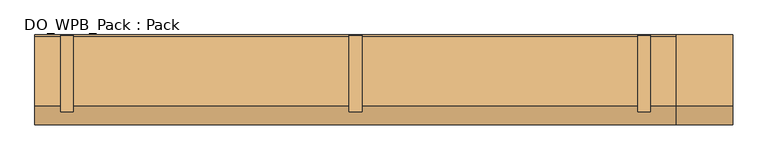
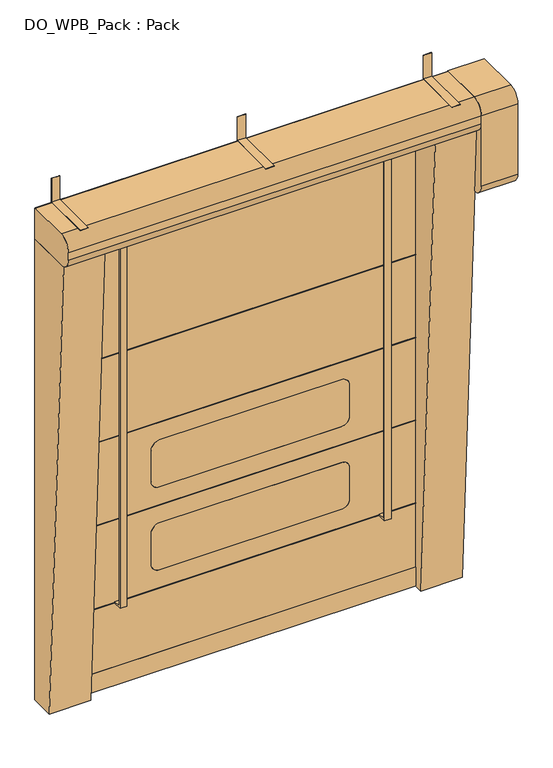
"""IFC4 building model written with IfcOpenShell, lengths in millimetres: door geometry, DO_WPB_Pack : Pack."""

from ifc_helpers import new_model, si_unit, point, frame, frame_2d, origin, origin_with_axes, place, context, project, spatial, polyline, circle_curve, trimmed, segment, composite_curve, outline, extrude, source, transform, mapped, element, save


def do_wpb_pack_pack_5cf3cf8c(model_context):
    return source(origin(), model_context, "Body", "SweptSolid", [
        extrude(outline(composite_curve([segment(trimmed(circle_curve(frame_2d((25.0, 1175.0)), 6.0), [point((31.0, 1175.0))], [point((19.0, 1175.0))], False, "CARTESIAN"), True, "CONTINUOUS"), segment(trimmed(circle_curve(frame_2d((25.0, 1175.0)), 6.0), [point((19.0, 1175.0))], [point((31.0, 1175.0))], False, "CARTESIAN"), True, "CONTINUOUS")], self_intersect=False)), frame((0.0, -10.0, 0.0), z_axis=(0.0, 1.0, 0.0), x_axis=(0.0, 0.0, 1.0)), (0.0, 0.0, 1.0), 10.0),
        extrude(outline(composite_curve([segment(trimmed(circle_curve(frame_2d((25.0, 1075.0)), 6.0), [point((31.0, 1075.0))], [point((19.0, 1075.0))], False, "CARTESIAN"), True, "CONTINUOUS"), segment(trimmed(circle_curve(frame_2d((25.0, 1075.0)), 6.0), [point((19.0, 1075.0))], [point((31.0, 1075.0))], False, "CARTESIAN"), True, "CONTINUOUS")], self_intersect=False)), frame((0.0, -10.0, 0.0), z_axis=(0.0, 1.0, 0.0), x_axis=(0.0, 0.0, 1.0)), (0.0, 0.0, 1.0), 10.0),
        extrude(outline(composite_curve([segment(trimmed(circle_curve(frame_2d((25.0, -1075.0)), 6.0), [point((31.0, -1075.0))], [point((19.0, -1075.0))], False, "CARTESIAN"), True, "CONTINUOUS"), segment(trimmed(circle_curve(frame_2d((25.0, -1075.0)), 6.0), [point((19.0, -1075.0))], [point((31.0, -1075.0))], False, "CARTESIAN"), True, "CONTINUOUS")], self_intersect=False)), frame((0.0, -10.0, 0.0), z_axis=(0.0, 1.0, 0.0), x_axis=(0.0, 0.0, 1.0)), (0.0, 0.0, 1.0), 10.0),
        extrude(outline(composite_curve([segment(trimmed(circle_curve(frame_2d((25.0, -1175.0)), 6.0), [point((31.0, -1175.0))], [point((19.0, -1175.0))], False, "CARTESIAN"), True, "CONTINUOUS"), segment(trimmed(circle_curve(frame_2d((25.0, -1175.0)), 6.0), [point((19.0, -1175.0))], [point((31.0, -1175.0))], False, "CARTESIAN"), True, "CONTINUOUS")], self_intersect=False)), frame((0.0, -10.0, 0.0), z_axis=(0.0, 1.0, 0.0), x_axis=(0.0, 0.0, 1.0)), (0.0, 0.0, 1.0), 10.0),
        extrude(outline(composite_curve([segment(trimmed(circle_curve(frame_2d((1075.0, -116.0)), 6.0), [point((1069.0, -116.0))], [point((1081.0, -116.0))], False, "CARTESIAN"), True, "CONTINUOUS"), segment(polyline([(1081.0, -116.0), (1081.0, -134.0)]), True, "CONTINUOUS"), segment(trimmed(circle_curve(frame_2d((1075.0, -134.0)), 6.0), [point((1081.0, -134.0))], [point((1069.0, -134.0))], False, "CARTESIAN"), True, "CONTINUOUS"), segment(polyline([(1069.0, -134.0), (1069.0, -116.0)]), True, "CONTINUOUS")], self_intersect=False)), origin_with_axes(), (0.0, 0.0, 1.0), 10.0),
        extrude(outline(composite_curve([segment(trimmed(circle_curve(frame_2d((1175.0, -116.0)), 6.0), [point((1169.0, -116.0))], [point((1181.0, -116.0))], False, "CARTESIAN"), True, "CONTINUOUS"), segment(polyline([(1181.0, -116.0), (1181.0, -134.0)]), True, "CONTINUOUS"), segment(trimmed(circle_curve(frame_2d((1175.0, -134.0)), 6.0), [point((1181.0, -134.0))], [point((1169.0, -134.0))], False, "CARTESIAN"), True, "CONTINUOUS"), segment(polyline([(1169.0, -134.0), (1169.0, -116.0)]), True, "CONTINUOUS")], self_intersect=False)), origin_with_axes(), (0.0, 0.0, 1.0), 10.0),
        extrude(outline(composite_curve([segment(trimmed(circle_curve(frame_2d((1075.0, -16.0)), 6.0), [point((1069.0, -16.0))], [point((1081.0, -16.0))], False, "CARTESIAN"), True, "CONTINUOUS"), segment(polyline([(1081.0, -16.0), (1081.0, -34.0)]), True, "CONTINUOUS"), segment(trimmed(circle_curve(frame_2d((1075.0, -34.0)), 6.0), [point((1081.0, -34.0))], [point((1069.0, -34.0))], False, "CARTESIAN"), True, "CONTINUOUS"), segment(polyline([(1069.0, -34.0), (1069.0, -16.0)]), True, "CONTINUOUS")], self_intersect=False)), origin_with_axes(), (0.0, 0.0, 1.0), 10.0),
        extrude(outline(composite_curve([segment(trimmed(circle_curve(frame_2d((1175.0, -16.0)), 6.0), [point((1169.0, -16.0))], [point((1181.0, -16.0))], False, "CARTESIAN"), True, "CONTINUOUS"), segment(polyline([(1181.0, -16.0), (1181.0, -34.0)]), True, "CONTINUOUS"), segment(trimmed(circle_curve(frame_2d((1175.0, -34.0)), 6.0), [point((1181.0, -34.0))], [point((1169.0, -34.0))], False, "CARTESIAN"), True, "CONTINUOUS"), segment(polyline([(1169.0, -34.0), (1169.0, -16.0)]), True, "CONTINUOUS")], self_intersect=False)), origin_with_axes(), (0.0, 0.0, 1.0), 10.0),
        extrude(outline(composite_curve([segment(trimmed(circle_curve(frame_2d((-1075.0, -134.0)), 6.0), [point((-1069.0, -134.0))], [point((-1081.0, -134.0))], False, "CARTESIAN"), True, "CONTINUOUS"), segment(polyline([(-1081.0, -134.0), (-1081.0, -116.0)]), True, "CONTINUOUS"), segment(trimmed(circle_curve(frame_2d((-1075.0, -116.0)), 6.0), [point((-1081.0, -116.0))], [point((-1069.0, -116.0))], False, "CARTESIAN"), True, "CONTINUOUS"), segment(polyline([(-1069.0, -116.0), (-1069.0, -134.0)]), True, "CONTINUOUS")], self_intersect=False)), origin_with_axes(), (0.0, 0.0, 1.0), 10.0),
        extrude(outline(composite_curve([segment(trimmed(circle_curve(frame_2d((-1175.0, -134.0)), 6.0), [point((-1169.0, -134.0))], [point((-1181.0, -134.0))], False, "CARTESIAN"), True, "CONTINUOUS"), segment(polyline([(-1181.0, -134.0), (-1181.0, -116.0)]), True, "CONTINUOUS"), segment(trimmed(circle_curve(frame_2d((-1175.0, -116.0)), 6.0), [point((-1181.0, -116.0))], [point((-1169.0, -116.0))], False, "CARTESIAN"), True, "CONTINUOUS"), segment(polyline([(-1169.0, -116.0), (-1169.0, -134.0)]), True, "CONTINUOUS")], self_intersect=False)), origin_with_axes(), (0.0, 0.0, 1.0), 10.0),
        extrude(outline(composite_curve([segment(trimmed(circle_curve(frame_2d((-1075.0, -34.0)), 6.0), [point((-1069.0, -34.0))], [point((-1081.0, -34.0))], False, "CARTESIAN"), True, "CONTINUOUS"), segment(polyline([(-1081.0, -34.0), (-1081.0, -16.0)]), True, "CONTINUOUS"), segment(trimmed(circle_curve(frame_2d((-1075.0, -16.0)), 6.0), [point((-1081.0, -16.0))], [point((-1069.0, -16.0))], False, "CARTESIAN"), True, "CONTINUOUS"), segment(polyline([(-1069.0, -16.0), (-1069.0, -34.0)]), True, "CONTINUOUS")], self_intersect=False)), origin_with_axes(), (0.0, 0.0, 1.0), 10.0),
        extrude(outline(composite_curve([segment(trimmed(circle_curve(frame_2d((-1175.0, -34.0)), 6.0), [point((-1169.0, -34.0))], [point((-1181.0, -34.0))], False, "CARTESIAN"), True, "CONTINUOUS"), segment(polyline([(-1181.0, -34.0), (-1181.0, -16.0)]), True, "CONTINUOUS"), segment(trimmed(circle_curve(frame_2d((-1175.0, -16.0)), 6.0), [point((-1181.0, -16.0))], [point((-1169.0, -16.0))], False, "CARTESIAN"), True, "CONTINUOUS"), segment(polyline([(-1169.0, -16.0), (-1169.0, -34.0)]), True, "CONTINUOUS")], self_intersect=False)), origin_with_axes(), (0.0, 0.0, 1.0), 10.0),
        extrude(outline(polyline([(0.0, 3303.0), (0.0, 3150.0), (-300.0, 3150.0), (-300.0, 3152.0), (-2.0, 3152.0), (-2.0, 3303.0), (0.0, 3303.0)])), frame((-25.0, 0.0, 0.0), z_axis=(1.0, 0.0, 0.0), x_axis=(0.0, 1.0, 0.0)), (0.0, 0.0, 1.0), 50.0),
        extrude(outline(polyline([(0.0, 3303.0), (0.0, 3150.0), (-300.0, 3150.0), (-300.0, 3152.0), (-2.0, 3152.0), (-2.0, 3303.0), (0.0, 3303.0)])), frame((1100.0, 0.0, 0.0), z_axis=(1.0, 0.0, 0.0), x_axis=(0.0, 1.0, 0.0)), (0.0, 0.0, 1.0), 50.0),
        extrude(outline(polyline([(0.0, 3303.0), (0.0, 3150.0), (-300.0, 3150.0), (-300.0, 3152.0), (-2.0, 3152.0), (-2.0, 3303.0), (0.0, 3303.0)])), frame((-1150.0, 0.0, 0.0), z_axis=(1.0, 0.0, 0.0), x_axis=(0.0, 1.0, 0.0)), (0.0, 0.0, 1.0), 50.0),
        extrude(outline(polyline([(-93.5, 525.0), (-148.5, 525.0), (-148.5, 3055.0), (-93.5, 3055.0), (-93.5, 3045.0), (-138.5, 3045.0), (-138.5, 535.0), (-93.5, 535.0), (-93.5, 525.0)])), frame((780.0, 0.0, 0.0), z_axis=(1.0, 0.0, 0.0), x_axis=(0.0, 1.0, 0.0)), (0.0, 0.0, 1.0), 40.0),
        extrude(outline(polyline([(-93.5, 525.0), (-148.5, 525.0), (-148.5, 3055.0), (-93.5, 3055.0), (-93.5, 3045.0), (-138.5, 3045.0), (-138.5, 535.0), (-93.5, 535.0), (-93.5, 525.0)])), frame((-820.0, 0.0, 0.0), z_axis=(1.0, 0.0, 0.0), x_axis=(0.0, 1.0, 0.0)), (0.0, 0.0, 1.0), 40.0),
        extrude(outline(polyline([(-1000.0, -95.5), (-1000.0, -84.5), (1000.0, -84.5), (1000.0, -95.5), (-1000.0, -95.5)])), frame((0.0, 0.0, 2119.0), z_axis=(0.0, 0.0, 1.0), x_axis=(1.0, 0.0, 0.0)), (0.0, 0.0, 1.0), 2.0),
        extrude(outline(polyline([(-1000.0, -95.5), (-1000.0, -84.5), (1000.0, -84.5), (1000.0, -95.5), (-1000.0, -95.5)])), frame((0.0, 0.0, 1589.0), z_axis=(0.0, 0.0, 1.0), x_axis=(1.0, 0.0, 0.0)), (0.0, 0.0, 1.0), 2.0),
        extrude(outline(polyline([(-1000.0, -95.5), (-1000.0, -84.5), (1000.0, -84.5), (1000.0, -95.5), (-1000.0, -95.5)])), frame((0.0, 0.0, 1059.0), z_axis=(0.0, 0.0, 1.0), x_axis=(1.0, 0.0, 0.0)), (0.0, 0.0, 1.0), 2.0),
        extrude(outline(polyline([(-1000.0, -95.5), (-1000.0, -84.5), (1000.0, -84.5), (1000.0, -95.5), (-1000.0, -95.5)])), frame((0.0, 0.0, 529.0), z_axis=(0.0, 0.0, 1.0), x_axis=(1.0, 0.0, 0.0)), (0.0, 0.0, 1.0), 2.0),
        extrude(outline(composite_curve([segment(trimmed(circle_curve(frame_2d((1225.0, 550.0)), 50.0), [point((1175.0, 550.0))], [point((1225.0, 600.0))], False, "CARTESIAN"), True, "CONTINUOUS"), segment(polyline([(1225.0, 600.0), (1425.0, 600.0)]), True, "CONTINUOUS"), segment(trimmed(circle_curve(frame_2d((1425.0, 550.0)), 50.0), [point((1425.0, 600.0))], [point((1475.0, 550.0))], False, "CARTESIAN"), True, "CONTINUOUS"), segment(polyline([(1475.0, 550.0), (1475.0, -550.0)]), True, "CONTINUOUS"), segment(trimmed(circle_curve(frame_2d((1425.0, -550.0)), 50.0), [point((1475.0, -550.0))], [point((1425.0, -600.0))], False, "CARTESIAN"), True, "CONTINUOUS"), segment(polyline([(1425.0, -600.0), (1225.0, -600.0)]), True, "CONTINUOUS"), segment(trimmed(circle_curve(frame_2d((1225.0, -550.0)), 50.0), [point((1225.0, -600.0))], [point((1175.0, -550.0))], False, "CARTESIAN"), True, "CONTINUOUS"), segment(polyline([(1175.0, -550.0), (1175.0, 550.0)]), True, "CONTINUOUS")], self_intersect=False)), frame((0.0, -93.5, 0.0), z_axis=(0.0, 1.0, 0.0), x_axis=(0.0, 0.0, 1.0)), (0.0, 0.0, 1.0), 7.0),
        extrude(outline(composite_curve([segment(trimmed(circle_curve(frame_2d((695.0, 550.0)), 50.0), [point((645.0, 550.0))], [point((695.0, 600.0))], False, "CARTESIAN"), True, "CONTINUOUS"), segment(polyline([(695.0, 600.0), (895.0, 600.0)]), True, "CONTINUOUS"), segment(trimmed(circle_curve(frame_2d((895.0, 550.0)), 50.0), [point((895.0, 600.0))], [point((945.0, 550.0))], False, "CARTESIAN"), True, "CONTINUOUS"), segment(polyline([(945.0, 550.0), (945.0, -550.0)]), True, "CONTINUOUS"), segment(trimmed(circle_curve(frame_2d((895.0, -550.0)), 50.0), [point((945.0, -550.0))], [point((895.0, -600.0))], False, "CARTESIAN"), True, "CONTINUOUS"), segment(polyline([(895.0, -600.0), (695.0, -600.0)]), True, "CONTINUOUS"), segment(trimmed(circle_curve(frame_2d((695.0, -550.0)), 50.0), [point((695.0, -600.0))], [point((645.0, -550.0))], False, "CARTESIAN"), True, "CONTINUOUS"), segment(polyline([(645.0, -550.0), (645.0, 550.0)]), True, "CONTINUOUS")], self_intersect=False)), frame((0.0, -93.5, 0.0), z_axis=(0.0, 1.0, 0.0), x_axis=(0.0, 0.0, 1.0)), (0.0, 0.0, 1.0), 7.0),
        extrude(outline(polyline([(120.0, -1012.0), (120.0, 1012.0), (3050.0, 1012.0), (3050.0, -1012.0), (120.0, -1012.0)]), holes=[composite_curve([segment(trimmed(circle_curve(frame_2d((695.0, 550.0)), 50.0), [point((695.0, 600.0))], [point((645.0, 550.0))], True, "CARTESIAN"), True, "CONTINUOUS"), segment(polyline([(645.0, 550.0), (645.0, -550.0)]), True, "CONTINUOUS"), segment(trimmed(circle_curve(frame_2d((695.0, -550.0)), 50.0), [point((645.0, -550.0))], [point((695.0, -600.0))], True, "CARTESIAN"), True, "CONTINUOUS"), segment(polyline([(695.0, -600.0), (895.0, -600.0)]), True, "CONTINUOUS"), segment(trimmed(circle_curve(frame_2d((895.0, -550.0)), 50.0), [point((895.0, -600.0))], [point((945.0, -550.0))], True, "CARTESIAN"), True, "CONTINUOUS"), segment(polyline([(945.0, -550.0), (945.0, 550.0)]), True, "CONTINUOUS"), segment(trimmed(circle_curve(frame_2d((895.0, 550.0)), 50.0), [point((945.0, 550.0))], [point((895.0, 600.0))], True, "CARTESIAN"), True, "CONTINUOUS"), segment(polyline([(895.0, 600.0), (695.0, 600.0)]), True, "CONTINUOUS")], self_intersect=False), composite_curve([segment(trimmed(circle_curve(frame_2d((1225.0, 550.0)), 50.0), [point((1225.0, 600.0))], [point((1175.0, 550.0))], True, "CARTESIAN"), True, "CONTINUOUS"), segment(polyline([(1175.0, 550.0), (1175.0, -550.0)]), True, "CONTINUOUS"), segment(trimmed(circle_curve(frame_2d((1225.0, -550.0)), 50.0), [point((1175.0, -550.0))], [point((1225.0, -600.0))], True, "CARTESIAN"), True, "CONTINUOUS"), segment(polyline([(1225.0, -600.0), (1425.0, -600.0)]), True, "CONTINUOUS"), segment(trimmed(circle_curve(frame_2d((1425.0, -550.0)), 50.0), [point((1425.0, -600.0))], [point((1475.0, -550.0))], True, "CARTESIAN"), True, "CONTINUOUS"), segment(polyline([(1475.0, -550.0), (1475.0, 550.0)]), True, "CONTINUOUS"), segment(trimmed(circle_curve(frame_2d((1425.0, 550.0)), 50.0), [point((1475.0, 550.0))], [point((1425.0, 600.0))], True, "CARTESIAN"), True, "CONTINUOUS"), segment(polyline([(1425.0, 600.0), (1225.0, 600.0)]), True, "CONTINUOUS")], self_intersect=False)]), frame((0.0, -93.5, 0.0), z_axis=(0.0, 1.0, 0.0), x_axis=(0.0, 0.0, 1.0)), (0.0, 0.0, 1.0), 7.0),
        extrude(outline(polyline([(-1012.0, -84.5), (1012.0, -84.5), (1012.0, -95.5), (-1012.0, -95.5), (-1012.0, -84.5)])), origin_with_axes(), (0.0, 0.0, 1.0), 120.0),
        extrude(outline(composite_curve([segment(polyline([(0.0, 3150.0), (0.0, 2550.0), (-275.0, 2550.0)]), True, "CONTINUOUS"), segment(trimmed(circle_curve(frame_2d((-275.0, 2625.0)), 75.0), [point((-275.0, 2550.0))], [point((-350.0, 2625.0))], False, "CARTESIAN"), True, "CONTINUOUS"), segment(polyline([(-350.0, 2625.0), (-350.0, 3075.0)]), True, "CONTINUOUS"), segment(trimmed(circle_curve(frame_2d((-275.0, 3075.0)), 75.0), [point((-350.0, 3075.0))], [point((-275.0, 3150.0))], False, "CARTESIAN"), True, "CONTINUOUS"), segment(polyline([(-275.0, 3150.0), (0.0, 3150.0)]), True, "CONTINUOUS")], self_intersect=False)), frame((1250.0, 0.0, 0.0), z_axis=(1.0, 0.0, 0.0), x_axis=(0.0, 1.0, 0.0)), (0.0, 0.0, 1.0), 220.0),
        extrude(outline(composite_curve([segment(trimmed(circle_curve(frame_2d((-5.0, 2955.0)), 5.0), [point((0.0, 2955.0))], [point((-5.0, 2950.0))], False, "CARTESIAN"), True, "CONTINUOUS"), segment(polyline([(-5.0, 2950.0), (-275.0, 2950.0)]), True, "CONTINUOUS"), segment(trimmed(circle_curve(frame_2d((-275.0, 3025.0)), 75.0), [point((-275.0, 2950.0))], [point((-350.0, 3025.0))], False, "CARTESIAN"), True, "CONTINUOUS"), segment(polyline([(-350.0, 3025.0), (-350.0, 3075.0)]), True, "CONTINUOUS"), segment(trimmed(circle_curve(frame_2d((-275.0, 3075.0)), 75.0), [point((-350.0, 3075.0))], [point((-275.0, 3150.0))], False, "CARTESIAN"), True, "CONTINUOUS"), segment(polyline([(-275.0, 3150.0), (-5.0, 3150.0)]), True, "CONTINUOUS"), segment(trimmed(circle_curve(frame_2d((-5.0, 3145.0)), 5.0), [point((-5.0, 3150.0))], [point((0.0, 3145.0))], False, "CARTESIAN"), True, "CONTINUOUS"), segment(polyline([(0.0, 3145.0), (0.0, 2955.0)]), True, "CONTINUOUS")], self_intersect=False)), frame((-1250.0, 0.0, 0.0), z_axis=(1.0, 0.0, 0.0), x_axis=(0.0, 1.0, 0.0)), (0.0, 0.0, 1.0), 2500.0),
        extrude(outline(polyline([(0.0, 0.0), (-150.0, 0.0), (-300.0, 2950.0), (0.0, 2950.0), (0.0, 0.0)])), frame((1000.0, 0.0, 0.0), z_axis=(1.0, 0.0, 0.0), x_axis=(0.0, 1.0, 0.0)), (0.0, 0.0, 1.0), 250.0),
        extrude(outline(polyline([(0.0, 0.0), (-150.0, 0.0), (-300.0, 2950.0), (0.0, 2950.0), (0.0, 0.0)])), frame((-1250.0, 0.0, 0.0), z_axis=(1.0, 0.0, 0.0), x_axis=(0.0, 1.0, 0.0)), (0.0, 0.0, 1.0), 250.0),
    ])


if __name__ == "__main__":
    model = new_model("IFC4")
    model_context = context("Model", 3, world=origin())
    ifc_project = project(units=[si_unit("LENGTHUNIT", "METRE", prefix="MILLI")], contexts=[model_context])
    site = spatial("IfcSite", under=ifc_project)
    building = spatial("IfcBuilding", under=site)
    placement = place(None, origin())
    do_wpb_pack_pack_shape = do_wpb_pack_pack_5cf3cf8c(model_context)
    element("IfcDoor", 1, ObjectType="DO_WPB_Pack : Pack", at=placement, inside=building, context=model_context, shape_type="MappedRepresentation", body=[
        mapped(do_wpb_pack_pack_shape, transform((0.0, 0.0, 0.0), x_axis=(1.0, 0.0, 0.0), y_axis=(0.0, 1.0, 0.0), z_axis=(0.0, 0.0, 1.0))),
    ])
    save(model, "model.ifc")
